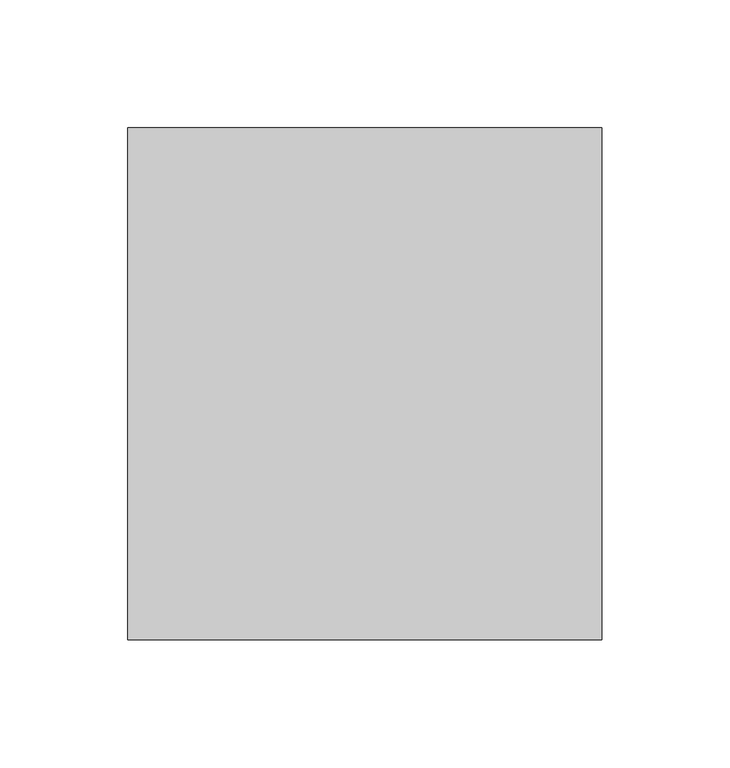
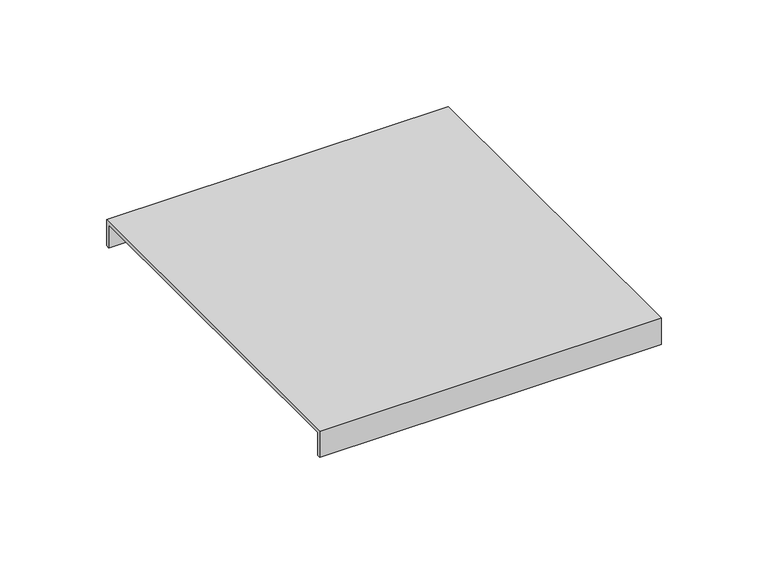
"""IFC4 building model written with IfcOpenShell, lengths in millimetres: furniture geometry."""

from ifc_helpers import new_model, si_unit, frame, origin, place, context, project, spatial, polyline, outline, extrude, source, transform, mapped, element, save


def furniture_9b496565(model_context):
    return source(origin(), model_context, "Body", "SweptSolid", [
        extrude(outline(polyline([(100.0, 515.0), (100.0, 500.0), (98.0, 500.0), (98.0, 513.0), (-98.0, 513.0), (-98.0, 500.0), (-100.0, 500.0), (-100.0, 515.0), (100.0, 515.0)])), frame((-855.0, 0.0, 0.0), z_axis=(1.0, 0.0, 0.0), x_axis=(0.0, 1.0, 0.0)), (0.0, 0.0, 1.0), 185.0),
    ])


if __name__ == "__main__":
    model = new_model("IFC4")
    model_context = context("Model", 3, world=origin())
    ifc_project = project(units=[si_unit("LENGTHUNIT", "METRE", prefix="MILLI")], contexts=[model_context])
    site = spatial("IfcSite", under=ifc_project)
    building = spatial("IfcBuilding", under=site)
    placement = place(None, origin())
    furniture_shape = furniture_9b496565(model_context)
    element("IfcFurniture", 1, at=placement, inside=building, context=model_context, shape_type="MappedRepresentation", body=[
        mapped(furniture_shape, transform((0.0, 0.0, 0.0), x_axis=(1.0, 0.0, 0.0), y_axis=(0.0, 1.0, 0.0), z_axis=(0.0, 0.0, 1.0))),
    ])
    save(model, "model.ifc")
